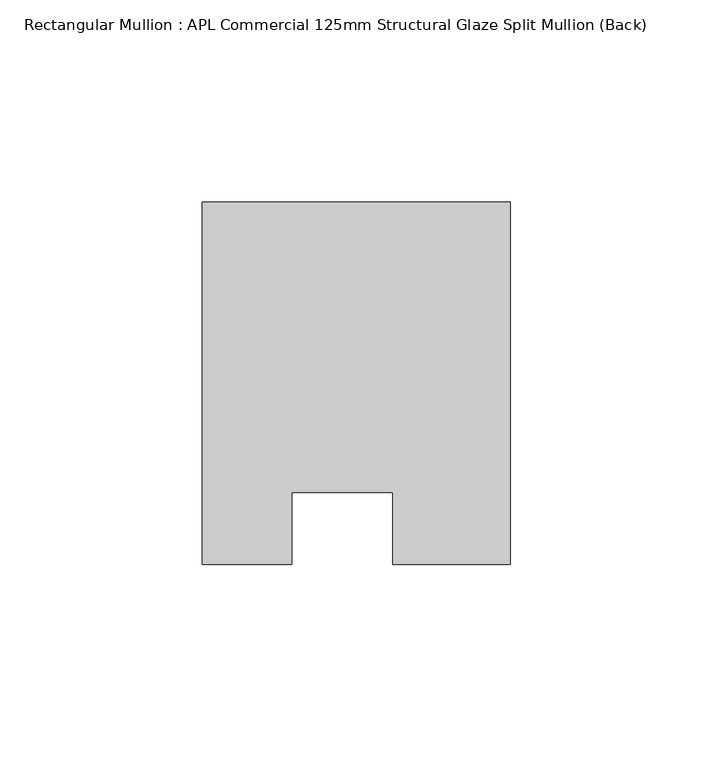
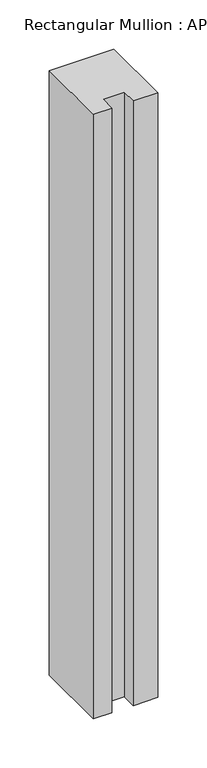
"""IFC4 building model written with IfcOpenShell, lengths in millimetres: member geometry, Rectangular Mullion : APL Commercial 125mm Structural Glaze Split Mullion (Back)."""

from ifc_helpers import new_model, si_unit, frame, origin, place, context, project, spatial, polyline, outline, extrude, source, transform, mapped, element, save


def rectangular_mullion_apl_commercial_125mm_structural_glaze_fd8b80e1(model_context):
    return source(origin(), model_context, "Body", "SweptSolid", [
        extrude(outline(polyline([(37.9999914, 104.4960123), (37.9999914, 14.9960123), (9.0, 14.9960123), (9.0, 32.7960123), (-16.0, 32.7960123), (-16.0, 14.9960123), (-37.9999896, 14.9960123), (-37.9999896, 104.4960123), (37.9999914, 104.4960123)])), frame((0.0, 0.0, -751.2021929), z_axis=(0.0, 0.0, 1.0), x_axis=(1.0, 0.0, 0.0)), (0.0, 0.0, 1.0), 751.2021929),
    ])


if __name__ == "__main__":
    model = new_model("IFC4")
    model_context = context("Model", 3, world=origin())
    ifc_project = project(units=[si_unit("LENGTHUNIT", "METRE", prefix="MILLI")], contexts=[model_context])
    site = spatial("IfcSite", under=ifc_project)
    building = spatial("IfcBuilding", under=site)
    placement = place(None, origin())
    rectangular_mullion_apl_commercial_125mm_structural_glaze_shape = rectangular_mullion_apl_commercial_125mm_structural_glaze_fd8b80e1(model_context)
    element("IfcMember", 1, ObjectType="Rectangular Mullion : APL Commercial 125mm Structural Glaze Split Mullion (Back)", at=placement, inside=building, context=model_context, shape_type="MappedRepresentation", body=[
        mapped(rectangular_mullion_apl_commercial_125mm_structural_glaze_shape, transform((0.0, 0.0, 0.0), x_axis=(1.0, 0.0, 0.0), y_axis=(0.0, 1.0, 0.0), z_axis=(0.0, 0.0, 1.0))),
    ])
    save(model, "model.ifc")
